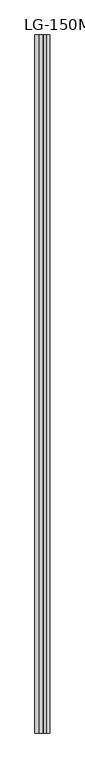
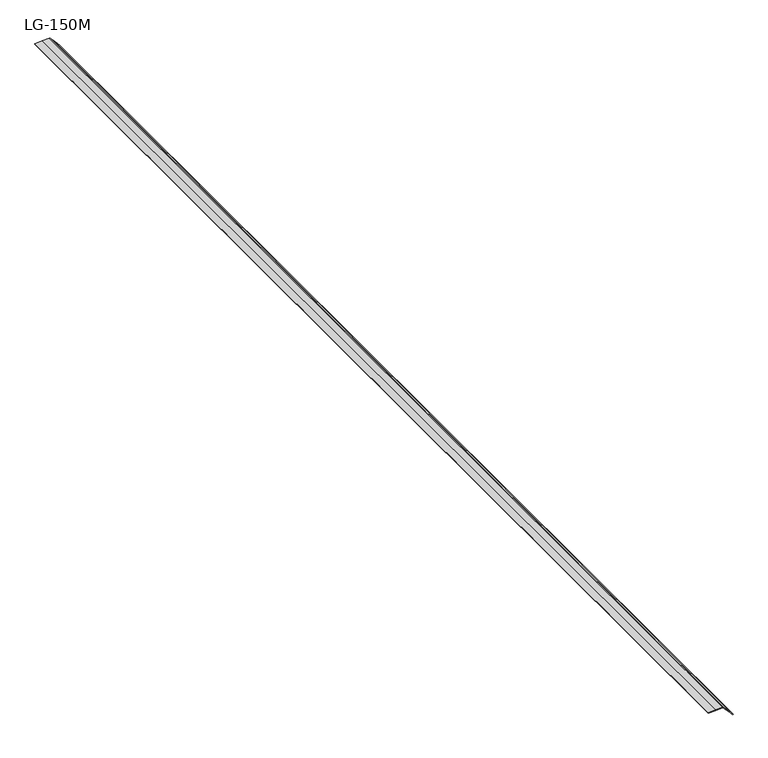
"""IFC4 building model written with IfcOpenShell, lengths in millimetres: proxy geometry, LG-150M."""

from ifc_helpers import new_model, si_unit, point, frame, frame_2d, origin, place, context, project, spatial, polyline, circle_curve, trimmed, segment, composite_curve, outline, extrude, source, transform, mapped, element, save


def lg_150m_c4c350b2(model_context):
    return source(origin(), model_context, "Body", "SweptSolid", [
        extrude(outline(composite_curve([segment(polyline([(0.0, -36.8754821), (0.9096419, -19.0674931), (1.258689, 0.920601), (-13.1477901, 14.5822254), (-26.442556, 26.442556), (-25.672859, 27.2122529), (-11.2235477, 15.4218948), (1.896287, 2.3020601)]), True, "CONTINUOUS"), segment(trimmed(circle_curve(frame_2d((-0.4525318, -0.0467588)), 3.3217315), [point((1.896287, 2.3020601))], [point((2.8688705, 0.0))], False, "CARTESIAN"), True, "CONTINUOUS"), segment(polyline([(2.8688705, 0.0), (2.8688705, -18.122865), (1.0146006, -36.8754821), (0.0, -36.8754821)]), True, "CONTINUOUS")], self_intersect=False)), frame((0.0, -1143.0, 0.0), z_axis=(0.0, 1.0, 0.0), x_axis=(0.0, 0.0, 1.0)), (0.0, 0.0, 1.0), 3022.6),
    ])


if __name__ == "__main__":
    model = new_model("IFC4")
    model_context = context("Model", 3, world=origin())
    ifc_project = project(units=[si_unit("LENGTHUNIT", "METRE", prefix="MILLI")], contexts=[model_context])
    site = spatial("IfcSite", under=ifc_project)
    building = spatial("IfcBuilding", under=site)
    placement = place(None, origin())
    lg_150m_shape = lg_150m_c4c350b2(model_context)
    element("IfcBuildingElementProxy", 1, Name="LG-150M", ObjectType="LG-150M", at=placement, inside=building, context=model_context, shape_type="MappedRepresentation", body=[
        mapped(lg_150m_shape, transform((0.0, 0.0, 0.0), x_axis=(1.0, 0.0, 0.0), y_axis=(0.0, 1.0, 0.0), z_axis=(0.0, 0.0, 1.0))),
    ])
    save(model, "model.ifc")
